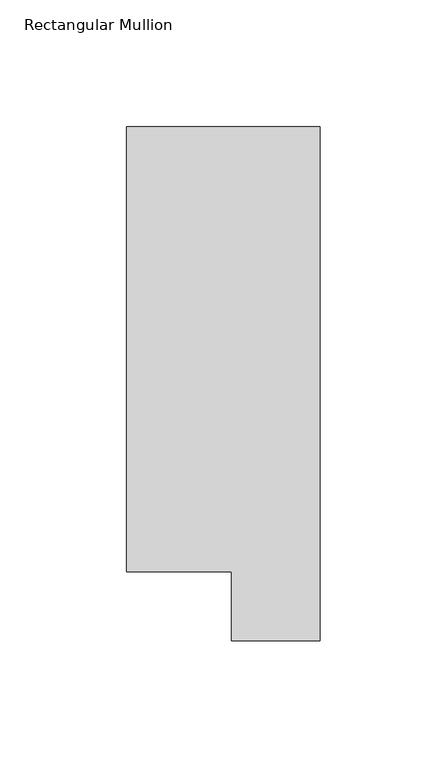
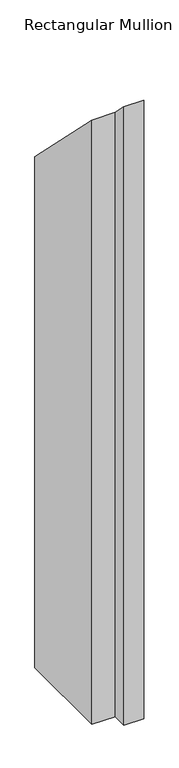
"""IFC4 building model written with IfcOpenShell, lengths in millimetres: member geometry, Rectangular Mullion."""

from ifc_helpers import new_model, si_unit, origin, place, context, project, spatial, faceted_brep, source, transform, mapped, element, save


def rectangular_mullion_8f4dcbd0(model_context):
    return source(origin(), model_context, "Body", "Brep", [
        faceted_brep([(0.0, 222.0301312, -1181.4194229), (0.0, 19.5667312, -1181.4194229), (-34.9123, 19.5667312, -1181.4194229), (-34.9123, 46.7447302, -1181.4194229), (-76.2, 46.7447302, -1181.4194229), (-76.2, 222.0301312, -1181.4194229), (-76.2, 222.0301312, -222.0301312), (0.0, 222.0301312, -222.0301312), (-76.2, 46.7447302, -46.7447302), (-34.9123, 46.7447302, -46.7447302), (-34.9123, 19.5667312, -19.5667312), (0.0, 19.5667312, -19.5667312)], [[[0, 1, 2, 3, 4, 5]], [[6, 7, 0, 5]], [[8, 6, 5, 4]], [[9, 8, 4, 3]], [[10, 9, 3, 2]], [[11, 10, 2, 1]], [[7, 11, 1, 0]], [[7, 6, 8, 9, 10, 11]]]),
    ])


if __name__ == "__main__":
    model = new_model("IFC4")
    model_context = context("Model", 3, world=origin())
    ifc_project = project(units=[si_unit("LENGTHUNIT", "METRE", prefix="MILLI")], contexts=[model_context])
    site = spatial("IfcSite", under=ifc_project)
    building = spatial("IfcBuilding", under=site)
    placement = place(None, origin())
    rectangular_mullion_shape = rectangular_mullion_8f4dcbd0(model_context)
    element("IfcMember", 1, ObjectType="Rectangular Mullion", at=placement, inside=building, context=model_context, shape_type="MappedRepresentation", body=[
        mapped(rectangular_mullion_shape, transform((0.0, 0.0, 0.0), x_axis=(1.0, 0.0, 0.0), y_axis=(0.0, 1.0, 0.0), z_axis=(0.0, 0.0, 1.0))),
    ])
    save(model, "model.ifc")
